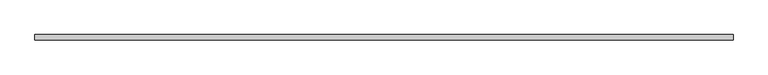
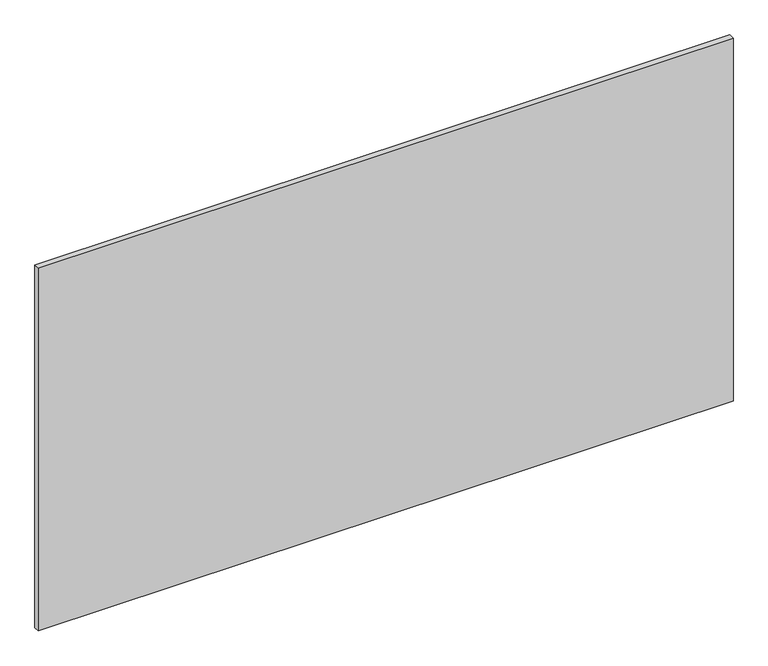
"""IFC4 building model written with IfcOpenShell, lengths in millimetres: plate geometry."""

from ifc_helpers import new_model, si_unit, origin, origin_with_axes, place, context, project, spatial, polyline, outline, extrude, source, transform, mapped, element, save


def plate_8adcfaad(model_context):
    return source(origin(), model_context, "Body", "SweptSolid", [
        extrude(outline(polyline([(627.75, 5.0), (627.75, -5.0), (-627.75, -5.0), (-627.75, 5.0), (627.75, 5.0)])), origin_with_axes(), (0.0, 0.0, 1.0), 693.2),
    ])


if __name__ == "__main__":
    model = new_model("IFC4")
    model_context = context("Model", 3, world=origin())
    ifc_project = project(units=[si_unit("LENGTHUNIT", "METRE", prefix="MILLI")], contexts=[model_context])
    site = spatial("IfcSite", under=ifc_project)
    building = spatial("IfcBuilding", under=site)
    placement = place(None, origin())
    plate_shape = plate_8adcfaad(model_context)
    element("IfcPlate", 1, at=placement, inside=building, context=model_context, shape_type="MappedRepresentation", body=[
        mapped(plate_shape, transform((0.0, 0.0, 0.0), x_axis=(1.0, 0.0, 0.0), y_axis=(0.0, 1.0, 0.0), z_axis=(0.0, 0.0, 1.0))),
    ])
    save(model, "model.ifc")
